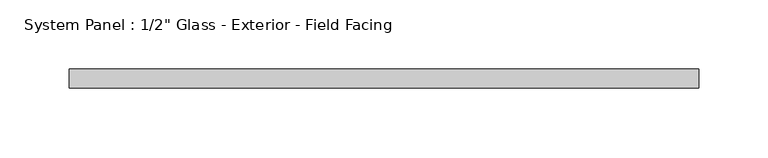
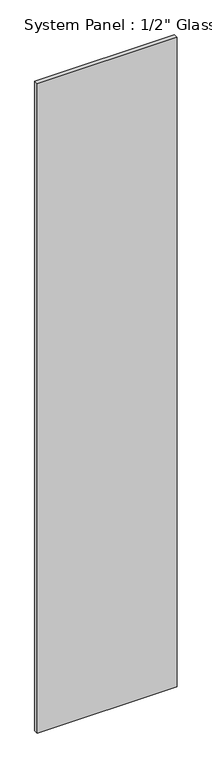
"""IFC4 building model written with IfcOpenShell, lengths in millimetres: plate geometry."""

from ifc_helpers import new_model, si_unit, origin, origin_with_axes, place, context, project, spatial, polyline, outline, extrude, source, transform, mapped, element, save


def plate_de199f6b(model_context):
    return source(origin(), model_context, "Body", "SweptSolid", [
        extrude(outline(polyline([(226.6825792, -11.55), (-226.6825792, -11.55), (-226.6825792, 1.95), (226.6825792, 1.95), (226.6825792, -11.55)])), origin_with_axes(), (0.0, 0.0, 1.0), 2223.15),
    ])


if __name__ == "__main__":
    model = new_model("IFC4")
    model_context = context("Model", 3, world=origin())
    ifc_project = project(units=[si_unit("LENGTHUNIT", "METRE", prefix="MILLI")], contexts=[model_context])
    site = spatial("IfcSite", under=ifc_project)
    building = spatial("IfcBuilding", under=site)
    placement = place(None, origin())
    plate_shape = plate_de199f6b(model_context)
    element("IfcPlate", 1, ObjectType="System Panel : 1/2\" Glass - Exterior - Field Facing", at=placement, inside=building, context=model_context, shape_type="MappedRepresentation", body=[
        mapped(plate_shape, transform((0.0, 0.0, 0.0), x_axis=(1.0, 0.0, 0.0), y_axis=(0.0, 1.0, 0.0), z_axis=(0.0, 0.0, 1.0))),
    ])
    save(model, "model.ifc")
